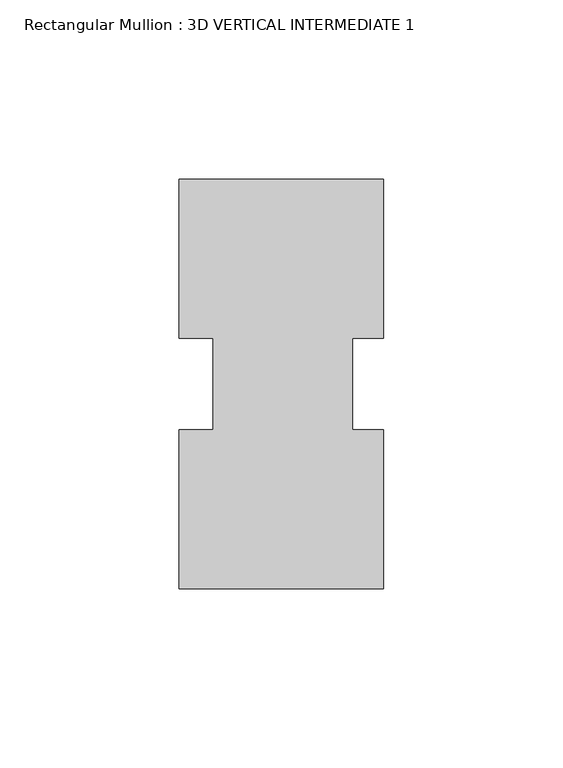
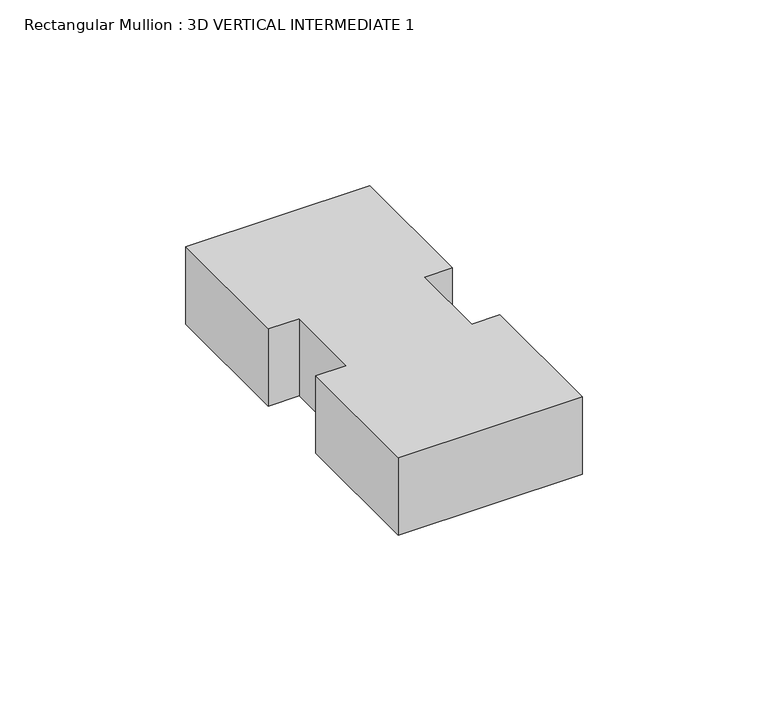
"""IFC4 building model written with IfcOpenShell, lengths in millimetres: member geometry, Rectangular Mullion : 3D VERTICAL INTERMEDIATE 1."""

import ifcopenshell
import ifcopenshell.guid

model = None  # the IFC model being written
_history = None  # IfcOwnerHistory: only IFC2X3 demands one
_inside = {}  # id of a spatial element -> (the spatial element, [elements in it])
_under = {}  # id of a project, library or spatial element -> (it, [spatial elements below it])
_declared = {}  # id of a project -> (the project, [libraries it declares])
_typed = {}  # id of a type object -> (the type object, [elements of that type])
_made_of = {}  # id of a material, layer set ... -> (it, [elements and type objects made of it])


def new_model(schema):
    """Start an empty IFC model of exactly this schema.

    Asked for "IFC4X3", IfcOpenShell would pick the latest addendum, in which some entities
    have other attributes; the version numbers below select the first issue.
    IFC2X3 requires an IfcOwnerHistory on every rooted entity: one is made here for all.
    """
    global model, _history
    if schema == "IFC4X3":
        model = ifcopenshell.file(schema_version=(4, 3, 0, 0))
    else:
        model = ifcopenshell.file(schema=schema)
    _inside.clear()
    _under.clear()
    _declared.clear()
    _typed.clear()
    _made_of.clear()
    _history = None
    if model.schema == "IFC2X3":
        org = make("IfcOrganization", Name="unknown")
        user = make(
            "IfcPersonAndOrganization",
            ThePerson=make("IfcPerson", FamilyName="unknown"),
            TheOrganization=org,
        )
        app = make(
            "IfcApplication",
            ApplicationDeveloper=org,
            Version="unknown",
            ApplicationFullName="unknown",
            ApplicationIdentifier="unknown",
        )
        _history = make(
            "IfcOwnerHistory",
            OwningUser=user,
            OwningApplication=app,
            ChangeAction="ADDED",
            CreationDate=0,
        )
    return model


def make(cls, **values):
    """One entity of the class cls with the attributes given. An attribute that is None is left unset."""
    return model.create_entity(
        cls, **{name: value for name, value in values.items() if value is not None}
    )


def rooted(cls, **values):
    """An entity with a GlobalId (a new one), such as an element, a storey or a relation."""
    return make(cls, GlobalId=ifcopenshell.guid.new(), OwnerHistory=_history, **values)


def si_unit(unit_type, name, prefix=None):
    """IfcSIUnit, for example si_unit("LENGTHUNIT", "METRE", prefix="MILLI")."""
    return make("IfcSIUnit", UnitType=unit_type, Prefix=prefix, Name=name)


def assignment(units):
    """IfcUnitAssignment: the units of a project."""
    return None if units is None else make("IfcUnitAssignment", Units=units)


def point(xyz):
    """IfcCartesianPoint."""
    return None if xyz is None else make("IfcCartesianPoint", Coordinates=xyz)


def direction(xyz):
    """IfcDirection."""
    return None if xyz is None else make("IfcDirection", DirectionRatios=xyz)


def frame(location, z_axis=None, x_axis=None):
    """IfcAxis2Placement3D, a coordinate frame: its origin and axes. An axis left out is left unset."""
    return make(
        "IfcAxis2Placement3D",
        Location=point(location),
        Axis=direction(z_axis),
        RefDirection=direction(x_axis),
    )


def origin():
    """The frame at (0, 0, 0) with its axes left unset."""
    return frame((0.0, 0.0, 0.0))


def place(relative_to, where):
    """IfcLocalPlacement: puts the frame where relative to a parent placement (None: the world)."""
    return make(
        "IfcLocalPlacement", PlacementRelTo=relative_to, RelativePlacement=where
    )


def context(
    kind, dimensions, precision=None, world=None, true_north=None, identifier=None
):
    """IfcGeometricRepresentationContext, for example the 3D "Model" context."""
    return make(
        "IfcGeometricRepresentationContext",
        ContextIdentifier=identifier,
        ContextType=kind,
        CoordinateSpaceDimension=dimensions,
        Precision=precision,
        WorldCoordinateSystem=world,
        TrueNorth=true_north,
    )


def project(units=None, contexts=None):
    """IfcProject with its units and contexts."""
    return rooted(
        "IfcProject",
        Name="project",
        RepresentationContexts=contexts,
        UnitsInContext=assignment(units),
    )


def spatial(cls, under=None, at=None, **own):
    """A site, building, storey or space (cls), placed at a placement, below another one or the project."""
    s = rooted(cls, ObjectPlacement=at, **own)
    if under is not None:
        _under.setdefault(under.id(), (under, []))[1].append(s)
    return s


def polyline(points):
    """IfcPolyline through the points."""
    return make("IfcPolyline", Points=[point(p) for p in points])


def outline(outer, holes=None, kind="AREA"):
    """IfcArbitraryClosedProfileDef: a profile drawn as a closed curve; with holes, ...WithVoids."""
    if holes is None:
        return make("IfcArbitraryClosedProfileDef", ProfileType=kind, OuterCurve=outer)
    return make(
        "IfcArbitraryProfileDefWithVoids",
        ProfileType=kind,
        OuterCurve=outer,
        InnerCurves=holes,
    )


def extrude(swept, where, along, depth):
    """IfcExtrudedAreaSolid: the profile swept, set in the frame where, extruded along a direction by depth."""
    return make(
        "IfcExtrudedAreaSolid",
        SweptArea=swept,
        Position=where,
        ExtrudedDirection=direction(along),
        Depth=depth,
    )


def shape(context_of_items, identifier, shape_type, items):
    """IfcShapeRepresentation: the items that make up one representation, for example the "Body"."""
    return make(
        "IfcShapeRepresentation",
        ContextOfItems=context_of_items,
        RepresentationIdentifier=identifier,
        RepresentationType=shape_type,
        Items=items,
    )


def source(mapping_origin, context_of_items, identifier, shape_type, items):
    """IfcRepresentationMap: a shape defined once, which mapped items show again and again."""
    return make(
        "IfcRepresentationMap",
        MappingOrigin=mapping_origin,
        MappedRepresentation=shape(context_of_items, identifier, shape_type, items),
    )


def transform(
    local_origin,
    x_axis=None,
    y_axis=None,
    z_axis=None,
    scale=None,
    scale2=None,
    scale3=None,
    uniform=True,
):
    """IfcCartesianTransformationOperator3D, or its non-uniform kind. x_axis, y_axis, z_axis: its Axis1, 2, 3."""
    if uniform:
        return make(
            "IfcCartesianTransformationOperator3D",
            Axis1=direction(x_axis),
            Axis2=direction(y_axis),
            LocalOrigin=point(local_origin),
            Scale=scale,
            Axis3=direction(z_axis),
        )
    return make(
        "IfcCartesianTransformationOperator3DnonUniform",
        Axis1=direction(x_axis),
        Axis2=direction(y_axis),
        LocalOrigin=point(local_origin),
        Scale=scale,
        Axis3=direction(z_axis),
        Scale2=scale2,
        Scale3=scale3,
    )


def mapped(mapping_source, mapping_target):
    """IfcMappedItem: shows the shape of a source again, moved by a transform."""
    return make(
        "IfcMappedItem", MappingSource=mapping_source, MappingTarget=mapping_target
    )


def made_of(thing, what):
    """Note that an element or type object is made of a material, layer set ...; save() writes the relation."""
    if what is not None:
        _made_of.setdefault(what.id(), (what, []))[1].append(thing)
    return thing


def element(
    cls,
    number,
    at=None,
    inside=None,
    cuts=None,
    type_object=None,
    material=None,
    context=None,
    identifier="Body",
    shape_type=None,
    held_by="IfcProductDefinitionShape",
    body=None,
    shapes=None,
    **own,
):
    """One element of the class cls, such as IfcWall. Its Tag is "e" and its number.

    at: its placement. inside: the storey or other place that contains it. cuts: it is an
    opening in that element (IfcRelVoidsElement). A single representation is given by context,
    identifier, shape_type and body (its items); several are given by shapes. held_by: the class
    of the entity that holds the representations. save() writes the other relations.
    """
    e = rooted(cls, Tag="e%d" % number, ObjectPlacement=at, **own)
    if body is not None:
        shapes = [shape(context, identifier, shape_type, body)]
    if shapes is not None:
        e.Representation = make(held_by, Representations=shapes)
    if inside is not None:
        _inside.setdefault(inside.id(), (inside, []))[1].append(e)
    if cuts is not None:
        rooted(
            "IfcRelVoidsElement", RelatingBuildingElement=cuts, RelatedOpeningElement=e
        )
    if type_object is not None:
        _typed.setdefault(type_object.id(), (type_object, []))[1].append(e)
    return made_of(e, material)


def aggregate(whole, parts):
    """IfcRelAggregates: a whole, such as a stair, and the parts it consists of."""
    return rooted("IfcRelAggregates", RelatingObject=whole, RelatedObjects=parts)


def save(model, path):
    """Write the relations noted so far, then the file.

    IfcRelAggregates (storeys below a building ...), IfcRelContainedInSpatialStructure (elements
    in a storey), IfcRelDefinesByType, IfcRelAssociatesMaterial and IfcRelDeclares: one each for
    every whole, place, type object, material and project.
    """
    for whole, parts in _under.values():
        aggregate(whole, parts)
    for where, things in _inside.values():
        rooted(
            "IfcRelContainedInSpatialStructure",
            RelatedElements=things,
            RelatingStructure=where,
        )
    for kind, things in _typed.values():
        rooted("IfcRelDefinesByType", RelatedObjects=things, RelatingType=kind)
    for what, things in _made_of.values():
        rooted("IfcRelAssociatesMaterial", RelatedObjects=things, RelatingMaterial=what)
    for by, libraries in _declared.values():
        rooted("IfcRelDeclares", RelatingContext=by, RelatedDefinitions=libraries)
    model.write(path)


def rectangular_mullion_3d_vertical_intermediate_1_25f6a420(model_context):
    return source(origin(), model_context, "Body", "SweptSolid", [
        extrude(outline(polyline([(-31.5706924, 57.161217), (25.5793076, 57.161217), (25.5793076, 12.7438492), (16.8480576, 12.7438492), (16.8480576, -12.7438492), (25.5793076, -12.7438492), (25.5793076, -57.138783), (-31.5706924, -57.138783), (-31.5706924, -12.7438492), (-22.0456924, -12.7438492), (-22.0456924, 12.7438492), (-31.5706924, 12.7438492), (-31.5706924, 57.161217)])), frame((0.0, 0.0, -25.4), z_axis=(0.0, 0.0, 1.0), x_axis=(1.0, 0.0, 0.0)), (0.0, 0.0, 1.0), 25.4),
    ])


if __name__ == "__main__":
    model = new_model("IFC4")
    model_context = context("Model", 3, world=origin())
    ifc_project = project(units=[si_unit("LENGTHUNIT", "METRE", prefix="MILLI")], contexts=[model_context])
    site = spatial("IfcSite", under=ifc_project)
    building = spatial("IfcBuilding", under=site)
    placement = place(None, origin())
    rectangular_mullion_3d_vertical_intermediate_1_shape = rectangular_mullion_3d_vertical_intermediate_1_25f6a420(model_context)
    element("IfcMember", 1, ObjectType="Rectangular Mullion : 3D VERTICAL INTERMEDIATE 1", at=placement, inside=building, context=model_context, shape_type="MappedRepresentation", body=[
        mapped(rectangular_mullion_3d_vertical_intermediate_1_shape, transform((0.0, 0.0, 0.0), x_axis=(1.0, 0.0, 0.0), y_axis=(0.0, 1.0, 0.0), z_axis=(0.0, 0.0, 1.0))),
    ])
    save(model, "model.ifc")
